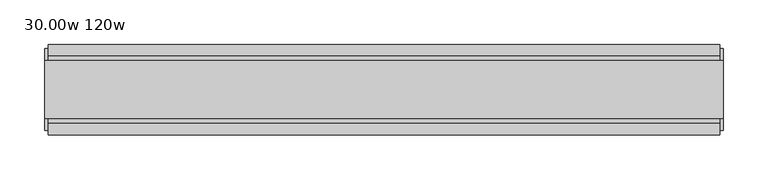
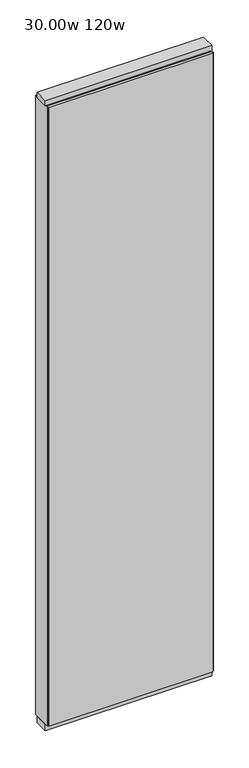
"""IFC4 building model written with IfcOpenShell, lengths in millimetres: furniture geometry, 30.00w 120w."""

from ifc_helpers import new_model, si_unit, frame, origin, origin_with_axes, place, context, project, spatial, polyline, outline, extrude, source, transform, mapped, element, save


def furniture_30_00w_120w_a5500e6a(model_context):
    return source(origin(), model_context, "Body", "SweptSolid", [
        extrude(outline(polyline([(317.0264771, 46.2822784), (317.0264771, 33.5822784), (-437.0995229, 33.5822784), (-437.0995229, 46.2822784), (317.0264771, 46.2822784)])), frame((0.0, 0.0, 31.75), z_axis=(0.0, 0.0, 1.0), x_axis=(1.0, 0.0, 0.0)), (0.0, 0.0, 1.0), 2990.85),
        extrude(outline(polyline([(317.0264771, -55.3177216), (-437.0995229, -55.3177216), (-437.0995229, -42.6177216), (317.0264771, -42.6177216), (317.0264771, -55.3177216)])), frame((0.0, 0.0, 31.75), z_axis=(0.0, 0.0, 1.0), x_axis=(1.0, 0.0, 0.0)), (0.0, 0.0, 1.0), 2990.85),
        extrude(outline(polyline([(-42.6177216, 2986.278), (-42.6177216, 3022.6), (33.5822784, 3022.6), (33.5822784, 2986.278), (28.6292784, 2986.278), (28.6292784, 2981.325), (-37.6647216, 2981.325), (-37.6647216, 2986.278), (-42.6177216, 2986.278)])), frame((-437.0995229, 0.0, 0.0), z_axis=(1.0, 0.0, 0.0), x_axis=(0.0, 1.0, 0.0)), (0.0, 0.0, 1.0), 754.126),
        extrude(outline(polyline([(320.9634771, 27.9942784), (320.9634771, -37.0297216), (-441.0365229, -37.0297216), (-441.0365229, 27.9942784), (320.9634771, 27.9942784)])), origin_with_axes(), (0.0, 0.0, 1.0), 31.75),
        extrude(outline(polyline([(-441.0365229, -37.0297216), (-441.0365229, 27.9942784), (320.9634771, 27.9942784), (320.9634771, -37.0297216), (-441.0365229, -37.0297216)])), frame((0.0, 0.0, 3022.6), z_axis=(0.0, 0.0, 1.0), x_axis=(1.0, 0.0, 0.0)), (0.0, 0.0, 1.0), 25.4),
        extrude(outline(polyline([(320.9634771, -50.3647216), (317.0264771, -50.3647216), (317.0264771, 41.3292784), (320.9634771, 41.3292784), (320.9634771, -50.3647216)])), frame((0.0, 0.0, 31.75), z_axis=(0.0, 0.0, 1.0), x_axis=(1.0, 0.0, 0.0)), (0.0, 0.0, 1.0), 2990.85),
        extrude(outline(polyline([(-441.0365229, -50.3647216), (-441.0365229, 41.3292784), (-437.0995229, 41.3292784), (-437.0995229, -50.3647216), (-441.0365229, -50.3647216)])), frame((0.0, 0.0, 31.75), z_axis=(0.0, 0.0, 1.0), x_axis=(1.0, 0.0, 0.0)), (0.0, 0.0, 1.0), 2990.85),
    ])


if __name__ == "__main__":
    model = new_model("IFC4")
    model_context = context("Model", 3, world=origin())
    ifc_project = project(units=[si_unit("LENGTHUNIT", "METRE", prefix="MILLI")], contexts=[model_context])
    site = spatial("IfcSite", under=ifc_project)
    building = spatial("IfcBuilding", under=site)
    placement = place(None, origin())
    furniture_30_00w_120w_shape = furniture_30_00w_120w_a5500e6a(model_context)
    element("IfcFurniture", 1, ObjectType="30.00w 120w", at=placement, inside=building, context=model_context, shape_type="MappedRepresentation", body=[
        mapped(furniture_30_00w_120w_shape, transform((0.0, 0.0, 0.0), x_axis=(1.0, 0.0, 0.0), y_axis=(0.0, 1.0, 0.0), z_axis=(0.0, 0.0, 1.0))),
    ])
    save(model, "model.ifc")
